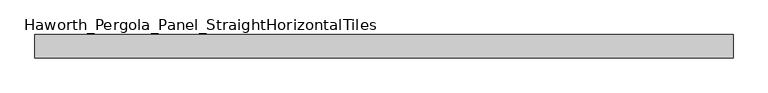
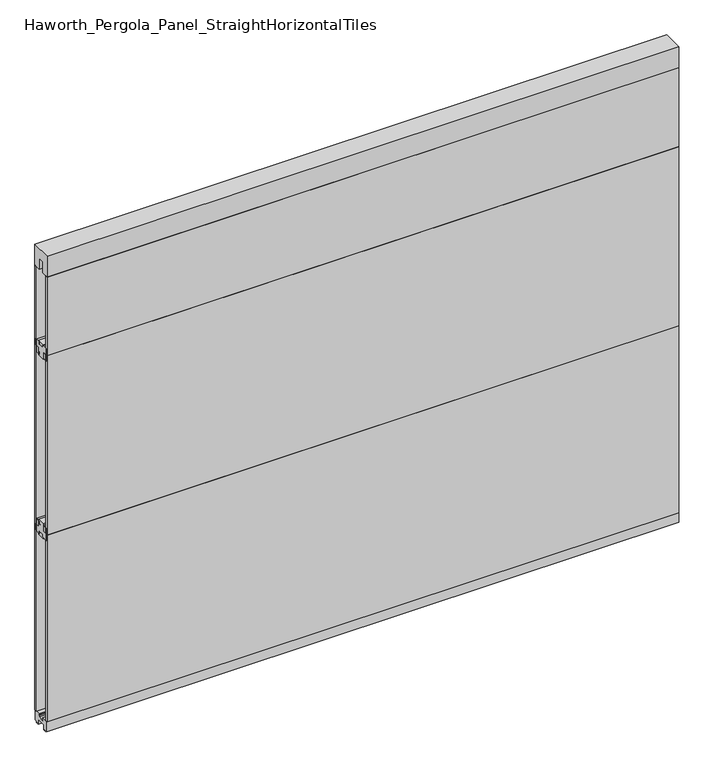
"""IFC4 building model written with IfcOpenShell, lengths in millimetres: furniture geometry, Haworth_Pergola_Panel_StraightHorizontalTiles."""

from ifc_helpers import new_model, si_unit, frame, origin, place, context, project, spatial, polyline, outline, extrude, source, transform, mapped, element, save


def haworth_pergola_panel_straighthorizontaltiles_cb1e1d50(model_context):
    return source(origin(), model_context, "Body", "SweptSolid", [
        extrude(outline(polyline([(12.7, 984.25), (12.7, 996.95), (-12.7, 996.95), (-12.7, 984.25), (-44.45, 984.25), (-44.45, 1016.0), (-19.05, 1016.0), (-19.05, 1054.1), (19.05, 1054.1), (19.05, 1016.0), (44.45, 1016.0), (44.45, 984.25), (12.7, 984.25)])), frame((-1485.9, 0.0, 0.0), z_axis=(1.0, 0.0, 0.0), x_axis=(0.0, 1.0, 0.0)), (0.0, 0.0, 1.0), 3048.0),
        extrude(outline(polyline([(12.7, 1962.15), (44.45, 1962.15), (44.45, 1930.4), (19.05, 1930.4), (19.05, 1892.3), (-19.05, 1892.3), (-19.05, 1930.4), (-44.45, 1930.4), (-44.45, 1962.15), (-12.7, 1962.15), (-12.7, 1949.45), (12.7, 1949.45), (12.7, 1962.15)])), frame((-1485.9, 0.0, 0.0), z_axis=(1.0, 0.0, 0.0), x_axis=(0.0, 1.0, 0.0)), (0.0, 0.0, 1.0), 3048.0),
        extrude(outline(polyline([(-1485.9, 50.8), (1562.1, 50.8), (1562.1, 38.1), (-1485.9, 38.1), (-1485.9, 50.8)])), frame((0.0, 0.0, 1016.0), z_axis=(0.0, 0.0, 1.0), x_axis=(1.0, 0.0, 0.0)), (0.0, 0.0, 1.0), 914.4),
        extrude(outline(polyline([(-1485.9, -38.1), (1562.1, -38.1), (1562.1, -50.8), (-1485.9, -50.8), (-1485.9, -38.1)])), frame((0.0, 0.0, 1016.0), z_axis=(0.0, 0.0, 1.0), x_axis=(1.0, 0.0, 0.0)), (0.0, 0.0, 1.0), 914.4),
        extrude(outline(polyline([(12.7, 1898.65), (12.7, 1911.35), (-12.7, 1911.35), (-12.7, 1898.65), (-44.45, 1898.65), (-44.45, 1930.4), (-19.05, 1930.4), (-19.05, 1968.5), (19.05, 1968.5), (19.05, 1930.4), (44.45, 1930.4), (44.45, 1898.65), (12.7, 1898.65)])), frame((-1485.9, 0.0, 0.0), z_axis=(1.0, 0.0, 0.0), x_axis=(0.0, 1.0, 0.0)), (0.0, 0.0, 1.0), 3048.0),
        extrude(outline(polyline([(-1485.9, 50.8), (1562.1, 50.8), (1562.1, 38.1), (-1485.9, 38.1), (-1485.9, 50.8)])), frame((0.0, 0.0, 1930.4), z_axis=(0.0, 0.0, 1.0), x_axis=(1.0, 0.0, 0.0)), (0.0, 0.0, 1.0), 401.4390625),
        extrude(outline(polyline([(-1485.9, -38.1), (1562.1, -38.1), (1562.1, -50.8), (-1485.9, -50.8), (-1485.9, -38.1)])), frame((0.0, 0.0, 1930.4), z_axis=(0.0, 0.0, 1.0), x_axis=(1.0, 0.0, 0.0)), (0.0, 0.0, 1.0), 401.4390625),
        extrude(outline(polyline([(12.7, 1047.75), (44.45, 1047.75), (44.45, 1016.0), (19.05, 1016.0), (19.05, 977.9), (-19.05, 977.9), (-19.05, 1016.0), (-44.45, 1016.0), (-44.45, 1047.75), (-12.7, 1047.75), (-12.7, 1035.05), (12.7, 1035.05), (12.7, 1047.75)])), frame((-1485.9, 0.0, 0.0), z_axis=(1.0, 0.0, 0.0), x_axis=(0.0, 1.0, 0.0)), (0.0, 0.0, 1.0), 3048.0),
        extrude(outline(polyline([(-1485.9, 50.8), (1562.1, 50.8), (1562.1, 38.1), (-1485.9, 38.1), (-1485.9, 50.8)])), frame((0.0, 0.0, 63.5), z_axis=(0.0, 0.0, 1.0), x_axis=(1.0, 0.0, 0.0)), (0.0, 0.0, 1.0), 952.5),
        extrude(outline(polyline([(-1485.9, -38.1), (1562.1, -38.1), (1562.1, -50.8), (-1485.9, -50.8), (-1485.9, -38.1)])), frame((0.0, 0.0, 63.5), z_axis=(0.0, 0.0, 1.0), x_axis=(1.0, 0.0, 0.0)), (0.0, 0.0, 1.0), 952.5),
        extrude(outline(polyline([(-50.8, 2438.4), (50.8, 2438.4), (50.8, 2331.8390625), (15.2182948, 2331.8390625), (15.2182948, 2388.7001663), (-15.2182948, 2388.7001663), (-15.2182948, 2331.8390625), (-50.8, 2331.8390625), (-50.8, 2438.4)])), frame((-1485.9, 0.0, 0.0), z_axis=(1.0, 0.0, 0.0), x_axis=(0.0, 1.0, 0.0)), (0.0, 0.0, 1.0), 3048.0),
        extrude(outline(polyline([(-16.2000002, 63.5), (-16.5085717, 61.7499999), (-13.3999996, 61.7499999), (-13.3999996, 58.8973461), (-15.4000002, 59.2499999), (-15.4000002, 48.3500004), (15.4000003, 48.3500004), (15.4000003, 59.2499999), (13.3999997, 58.8973461), (13.3999997, 61.7499999), (16.5085718, 61.7499999), (16.2000003, 63.5), (50.0000004, 63.5), (50.0000004, 12.6999985), (40.9499987, 12.6999985), (38.9499981, 10.6999979), (28.9499999, 10.6999979), (28.9499999, 7.6999994), (38.9499981, 7.6999994), (38.9499981, 5.6999988), (23.7499993, 5.6999988), (23.7499993, 31.4500009), (-23.7499992, 31.4500009), (-23.7499992, 5.6999988), (-38.949998, 5.6999988), (-38.949998, 7.6999994), (-28.9499998, 7.6999994), (-28.9499998, 10.6999979), (-38.949998, 10.6999979), (-40.9499986, 12.6999985), (-50.0000003, 12.6999985), (-50.0000003, 63.5), (-16.2000002, 63.5)])), frame((-1485.9, 0.0, 0.0), z_axis=(1.0, 0.0, 0.0), x_axis=(0.0, 1.0, 0.0)), (0.0, 0.0, 1.0), 3048.0),
    ])


if __name__ == "__main__":
    model = new_model("IFC4")
    model_context = context("Model", 3, world=origin())
    ifc_project = project(units=[si_unit("LENGTHUNIT", "METRE", prefix="MILLI")], contexts=[model_context])
    site = spatial("IfcSite", under=ifc_project)
    building = spatial("IfcBuilding", under=site)
    placement = place(None, origin())
    haworth_pergola_panel_straighthorizontaltiles_shape = haworth_pergola_panel_straighthorizontaltiles_cb1e1d50(model_context)
    element("IfcFurniture", 1, ObjectType="Haworth_Pergola_Panel_StraightHorizontalTiles", at=placement, inside=building, context=model_context, shape_type="MappedRepresentation", body=[
        mapped(haworth_pergola_panel_straighthorizontaltiles_shape, transform((0.0, 0.0, 0.0), x_axis=(1.0, 0.0, 0.0), y_axis=(0.0, 1.0, 0.0), z_axis=(0.0, 0.0, 1.0))),
    ])
    save(model, "model.ifc")
